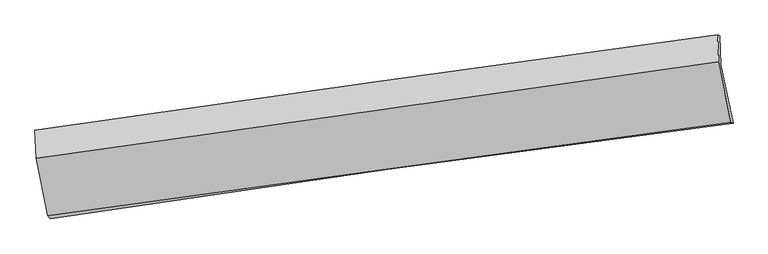
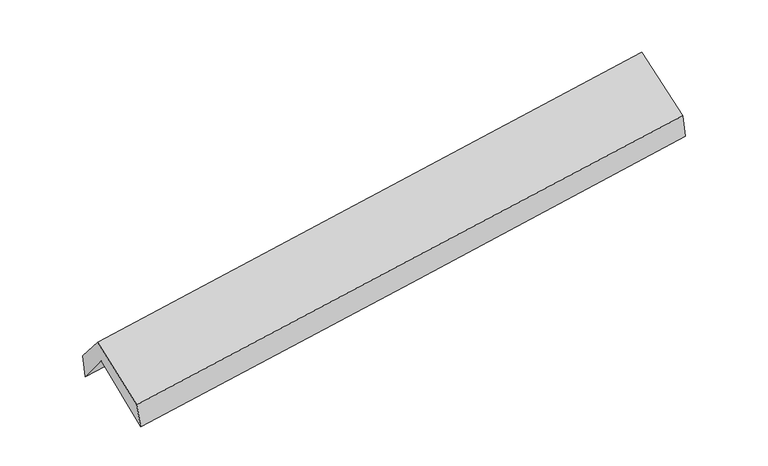
"""IFC4 building model written with IfcOpenShell, lengths in millimetres: proxy geometry."""

from ifc_helpers import new_model, si_unit, frame, origin, place, context, project, spatial, source, transform, mapped, element, save
from ifc_brep_helpers import plane_surface, spline_curve, spline_surface, advanced_brep


def generic_models_f933af5b(model_context):
    return source(origin(), model_context, "Body", "AdvancedBrep", [
        advanced_brep(
        [(-2894.5903159, -2502.6351914, 1440.3745488), (-2999.9402211, -2004.0160929, 1873.2282254), (2940.1335539, -1160.5352645, 2367.9797914), (3047.172213, -1670.8601033, 1934.3829965), (-3009.6452268, -1738.9187708, 1547.3974298), (2931.6041944, -907.3949908, 2047.9857861), (-3029.1938783, -1732.5254643, 1771.4378075), (2912.8596233, -901.0748666, 2262.4941846), (-3019.5412478, -1973.077478, 2056.9400845), (2922.3778592, -1136.425407, 2540.930652), (-2916.7202437, -2476.5721552, 1662.5849539), (3027.8586071, -1660.7141524, 2149.3395034)],
        [
            (0, 1),
            (1, 2, spline_curve(3, [(-2999.9402211, -2004.0160929, 1873.2282254), (-2010.464348902, -1843.600689253, 1928.977936662), (-1020.718178071, -1693.102663923, 1998.082319312), (959.306417844, -1411.942554946, 2162.999733125), (1949.584839018, -1281.280303861, 2258.812539073), (2940.1335539, -1160.5352645, 2367.9797914)], [4, 2, 4], [0.0, 9.876541924349395, 19.75300063346365])),
            (2, 3),
            (3, 0, spline_curve(3, [(3047.172213, -1670.8601033, 1934.3829965), (2056.608288372, -1796.039141267, 1832.797118321), (1066.18153403, -1927.942930726, 1740.836941282), (-914.405977629, -2205.201180105, 1576.167296599), (-1904.566733156, -2350.555753417, 1503.457990795), (-2894.5903159, -2502.6351914, 1440.3745488)], [4, 2, 4], [0.0, 9.876458709114255, 19.75300063346365])),
            (1, 4),
            (4, 5, spline_curve(3, [(-3009.6452268, -1738.9187708, 1547.3974298), (-2018.330076716, -1590.883265773, 1601.721706445), (-1027.566299904, -1447.571592884, 1670.599778192), (952.850164426, -1170.397079394, 1837.462809049), (1942.502861316, -1036.534158866, 1935.447522736), (2931.6041944, -907.3949908, 2047.9857861)], [4, 2, 4], [0.0, 9.876811921226027, 19.753540624942044])),
            (5, 2),
            (4, 6),
            (6, 7, spline_curve(3, [(-3029.1938783, -1732.5254643, 1771.4378075), (-2039.172369286, -1588.837840707, 1848.549091591), (-1048.988403047, -1447.706198239, 1928.02628096), (931.69610004, -1170.556041936, 2091.711779668), (1922.196634269, -1034.537485505, 2175.920049684), (2912.8596233, -901.0748666, 2262.4941846)], [4, 2, 4], [0.0, 9.875854734052847, 19.751626258660508])),
            (7, 5),
            (6, 8),
            (8, 9, spline_curve(3, [(-3019.5412478, -1973.077478, 2056.9400845), (-2029.30947702, -1834.938474729, 2140.78555128), (-1039.031579805, -1696.147670785, 2223.040995326), (941.608122987, -1417.263636095, 2384.371157424), (1931.969928295, -1277.170416572, 2463.445902896), (2922.3778592, -1136.425407, 2540.930652)], [4, 2, 4], [0.0, 9.875392479832545, 19.750701754114647])),
            (9, 7),
            (8, 10),
            (10, 11, spline_curve(3, [(-2916.7202437, -2476.5721552, 1662.5849539), (-1926.402657738, -2337.558387539, 1743.940420281), (-935.860205959, -2200.063056984, 1825.181202898), (1045.666081606, -1928.110414696, 1987.432717371), (2036.649913235, -1793.653077961, 2068.443451401), (3027.8586071, -1660.7141524, 2149.3395034)], [4, 2, 4], [0.0, 9.875386784549123, 19.75069036359579])),
            (11, 9),
            (10, 0),
            (3, 11),
        ],
        [
            spline_surface(3, 3, [[(-2894.5903159, -2502.6351914, 1440.3745488), (-1904.566733107, -2350.55575349, 1503.457990914), (-914.405977765, -2205.201180093, 1576.167296558), (1066.181534166, -1927.942930738, 1740.836941323), (2056.608288485, -1796.039141387, 1832.79711826), (3047.172213, -1670.8601033, 1934.3829965)], [(-2929.706950981, -2336.428825245, 1584.65910768), (-1939.865938345, -2181.57073206, 1645.297972838), (-949.843377922, -2034.501674685, 1716.805637503), (1030.556495439, -1755.942805444, 1881.55787191), (2020.933805359, -1624.452862255, 1974.802258525), (3011.492659966, -1500.751823693, 2078.915261473)], [(-2964.823586019, -2170.222459055, 1728.94366652), (-1975.165143541, -2012.585710594, 1787.137954723), (-985.280778067, -1863.802169348, 1857.443978428), (994.931456724, -1583.942680222, 2022.278802478), (1985.259322235, -1452.866583143, 2116.807398771), (2975.813106934, -1330.643544107, 2223.447526427)], [(-2999.9402211, -2004.0160929, 1873.2282254), (-2010.464348779, -1843.600689164, 1928.977936648), (-1020.718178224, -1693.10266394, 1998.082319373), (959.306417997, -1411.942554929, 2162.999733065), (1949.584839109, -1281.280304011, 2258.812539036), (2940.1335539, -1160.5352645, 2367.9797914)]], [4, 4], [4, 2, 4], [0.0, 2.209946726050321], [0.0, 9.876541924349395, 19.75300063346365]),
            spline_surface(3, 3, [[(-2999.9402211, -2004.0160929, 1873.2282254), (-2010.464348779, -1843.600689164, 1928.977936648), (-1020.718178224, -1693.10266394, 1998.082319373), (959.306417997, -1411.942554929, 2162.999733065), (1949.584839109, -1281.280304011, 2258.812539036), (2940.1335539, -1160.5352645, 2367.9797914)], [(-3003.175223, -1915.650318868, 1764.6179602), (-2013.086258122, -1759.36154806, 1819.892526593), (-1023.000885466, -1611.258973637, 1888.921472322), (957.154333495, -1331.427396382, 2054.487425004), (1947.22417986, -1199.698255591, 2151.024200226), (2937.290434064, -1076.155173252, 2261.315122964)], [(-3006.4102249, -1827.284544832, 1656.007695), (-2015.708167465, -1675.122406952, 1710.80711654), (-1025.283592717, -1529.415283313, 1779.760625341), (955.002248983, -1250.912237814, 1945.975117013), (1944.86352062, -1118.116207214, 2043.235861426), (2934.447314236, -991.775082048, 2154.650454536)], [(-3009.6452268, -1738.9187708, 1547.3974298), (-2018.330076807, -1590.883265848, 1601.721706485), (-1027.566299958, -1447.57159301, 1670.59977829), (952.850164481, -1170.397079268, 1837.462808952), (1942.502861372, -1036.534158794, 1935.447522616), (2931.6041944, -907.3949908, 2047.9857861)]], [4, 4], [4, 2, 4], [0.0, 1.3365698852983723], [0.0, 9.876811921226027, 19.753540624942044]),
            spline_surface(3, 3, [[(-3009.6452268, -1738.9187708, 1547.3974298), (-2018.330076807, -1590.883265848, 1601.721706485), (-1027.566299958, -1447.57159301, 1670.59977829), (952.850164481, -1170.397079268, 1837.462808952), (1942.502861372, -1036.534158794, 1935.447522616), (2931.6041944, -907.3949908, 2047.9857861)], [(-3016.161443967, -1736.78766864, 1622.077555685), (-2025.277507678, -1590.201457512, 1683.997501535), (-1034.707001019, -1447.616461393, 1756.408612495), (945.798809697, -1170.450066843, 1922.212465912), (1935.734119044, -1035.86860102, 2015.605031634), (2925.356004034, -905.288282749, 2119.488585627)], [(-3022.677661133, -1734.65656646, 1696.757681615), (-2032.224938548, -1589.519649157, 1766.273296631), (-1041.847702078, -1447.661329787, 1842.217446645), (938.747454915, -1170.50305443, 2006.962122816), (1928.965376715, -1035.2030432, 2095.762540573), (2919.107813666, -903.181574651, 2190.991385073)], [(-3029.1938783, -1732.5254643, 1771.4378075), (-2039.172369419, -1588.83784082, 1848.549091681), (-1048.988403138, -1447.70619817, 1928.026280851), (931.696100131, -1170.556042006, 2091.711779776), (1922.196634387, -1034.537485426, 2175.920049591), (2912.8596233, -901.0748666, 2262.4941846)]], [4, 4], [4, 2, 4], [0.0, 0.8422636083688034], [0.0, 9.875854734052847, 19.751626258660508]),
            spline_surface(3, 3, [[(-3029.1938783, -1732.5254643, 1771.4378075), (-2039.172369419, -1588.83784082, 1848.549091681), (-1048.988403138, -1447.70619817, 1928.026280851), (931.696100131, -1170.556042006, 2091.711779776), (1922.196634387, -1034.537485426, 2175.920049591), (2912.8596233, -901.0748666, 2262.4941846)], [(-3025.976334811, -1812.709468871, 1866.605233166), (-2035.884738653, -1670.87138546, 1945.961244899), (-1045.669462095, -1530.520022361, 2026.364518973), (935.000107791, -1252.791906696, 2189.264905716), (1925.454399041, -1115.415129083, 2271.762000667), (2916.032368601, -979.525046724, 2355.306340383)], [(-3022.758791289, -1892.893473429, 1961.772658834), (-2032.597107855, -1752.904930088, 2043.373398119), (-1042.350521012, -1613.333846582, 2124.702757063), (938.304115491, -1335.027771417, 2286.818031625), (1928.712163691, -1196.292772769, 2367.603951794), (2919.205113899, -1057.975226876, 2448.118496217)], [(-3019.5412478, -1973.077478, 2056.9400845), (-2029.309477089, -1834.938474728, 2140.785551337), (-1039.031579969, -1696.147670773, 2223.040995185), (941.608123151, -1417.263636107, 2384.371157565), (1931.969928345, -1277.170416427, 2463.445902869), (2922.3778592, -1136.425407, 2540.930652)]], [4, 4], [4, 2, 4], [0.0, 1.2610212824490272], [0.0, 9.875392479832545, 19.750701754114647]),
            spline_surface(3, 3, [[(-3019.5412478, -1973.077478, 2056.9400845), (-2029.309477089, -1834.938474728, 2140.785551337), (-1039.031579969, -1696.147670773, 2223.040995185), (941.608123151, -1417.263636107, 2384.371157565), (1931.969928345, -1277.170416427, 2463.445902869), (2922.3778592, -1136.425407, 2540.930652)], [(-2985.267579767, -2140.909037048, 1925.488374316), (-1995.007203949, -2002.478445676, 2008.503840965), (-1004.64112194, -1864.119466159, 2090.421064389), (976.294109279, -1587.545895714, 2252.058344159), (1966.863256677, -1449.331303625, 2331.778418988), (2957.538108515, -1311.188322137, 2410.400269122)], [(-2950.993911733, -2308.740596152, 1794.036664084), (-1960.704930808, -2170.018416682, 1876.222130545), (-970.250663913, -2032.091261455, 1957.801133656), (1010.980095403, -1757.82815523, 2119.745530815), (2001.756584965, -1621.492190811, 2200.11093514), (2992.698357785, -1485.951237263, 2279.869886278)], [(-2916.7202437, -2476.5721552, 1662.5849539), (-1926.402657668, -2337.55838763, 1743.940420172), (-935.860205884, -2200.063056842, 1825.18120286), (1045.66608153, -1928.110414837, 1987.432717408), (2036.649913297, -1793.653078009, 2068.443451259), (3027.8586071, -1660.7141524, 2149.3395034)]], [4, 4], [4, 2, 4], [0.0, 2.141606012252561], [0.0, 9.875386784549123, 19.75069036359579]),
            spline_surface(3, 3, [[(-2916.7202437, -2476.5721552, 1662.5849539), (-1926.402657668, -2337.55838763, 1743.940420172), (-935.860205884, -2200.063056842, 1825.18120286), (1045.66608153, -1928.110414837, 1987.432717408), (2036.649913297, -1793.653078009, 2068.443451259), (3027.8586071, -1660.7141524, 2149.3395034)], [(-2909.343601074, -2485.259833929, 1588.514818854), (-1919.124016122, -2341.890842912, 1663.779610407), (-928.708796497, -2201.775764593, 1742.176567435), (1052.504565756, -1928.054586804, 1905.234125389), (2043.302705014, -1794.44843248, 1989.894673592), (3034.296475721, -1664.096136045, 2077.687334432)], [(-2901.966958526, -2493.947512671, 1514.444683846), (-1911.845374653, -2346.223298207, 1583.618800679), (-921.557387151, -2203.488472343, 1659.171931984), (1059.343049941, -1927.998758771, 1823.035533343), (2049.955496768, -1795.243786916, 1911.345895927), (3040.734344379, -1667.478119655, 2006.035165468)], [(-2894.5903159, -2502.6351914, 1440.3745488), (-1904.566733107, -2350.55575349, 1503.457990914), (-914.405977765, -2205.201180093, 1576.167296558), (1066.181534166, -1927.942930738, 1740.836941323), (2056.608288485, -1796.039141387, 1832.79711826), (3047.172213, -1670.8601033, 1934.3829965)]], [4, 4], [4, 2, 4], [0.0, 0.8159587001656325], [0.0, 9.875566905542389, 19.7510506040647]),
            plane_surface(frame((2963.6676752, -1239.5007974, 2217.1854856), z_axis=(0.9871267075284721, 0.13719056995854975, 0.08221685227766123), x_axis=(0.15913606848138862, -0.7909808312854174, -0.5907834089133825))),
            plane_surface(frame((-2978.2718556, -2071.2908588, 1725.327175), z_axis=(-0.9871267075284551, -0.13719056995871787, -0.08221685227758367), x_axis=(-0.0984315992213598, 0.11592565265942184, 0.9883685867783398))),
        ],
        [
            (0, [[1, 2, 3, 4]]),
            (1, [[5, 6, 7, -2]]),
            (2, [[8, 9, 10, -6]]),
            (3, [[11, 12, 13, -9]]),
            (4, [[14, 15, 16, -12]]),
            (5, [[17, -4, 18, -15]]),
            (6, [[-16, -18, -3, -7, -10, -13]]),
            (7, [[-17, -14, -11, -8, -5, -1]]),
        ],
    ),
    ])


if __name__ == "__main__":
    model = new_model("IFC4")
    model_context = context("Model", 3, world=origin())
    ifc_project = project(units=[si_unit("LENGTHUNIT", "METRE", prefix="MILLI")], contexts=[model_context])
    site = spatial("IfcSite", under=ifc_project)
    building = spatial("IfcBuilding", under=site)
    placement = place(None, origin())
    generic_models_shape = generic_models_f933af5b(model_context)
    element("IfcBuildingElementProxy", 1, Name="Generic Models", at=placement, inside=building, context=model_context, shape_type="MappedRepresentation", body=[
        mapped(generic_models_shape, transform((0.0, 0.0, 0.0), x_axis=(1.0, 0.0, 0.0), y_axis=(0.0, 1.0, 0.0), z_axis=(0.0, 0.0, 1.0))),
    ])
    save(model, "model.ifc")
